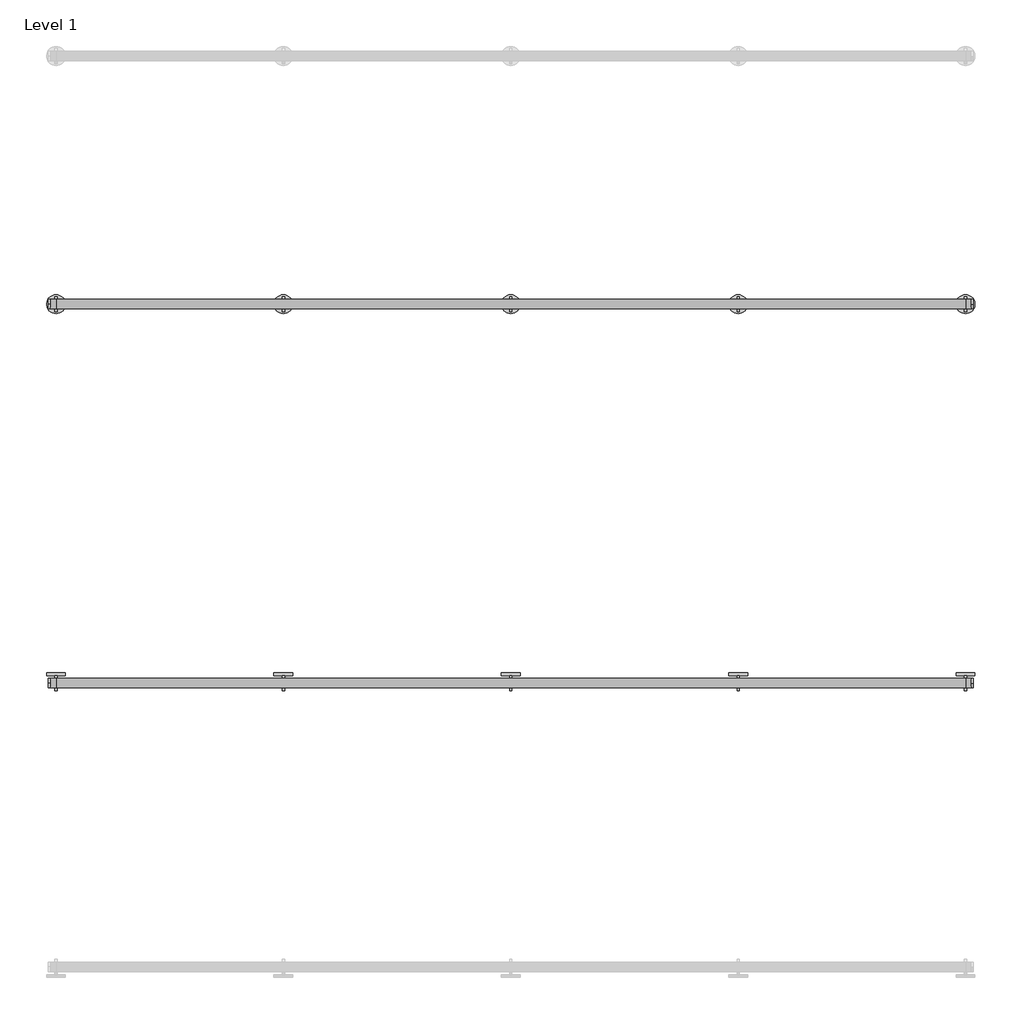
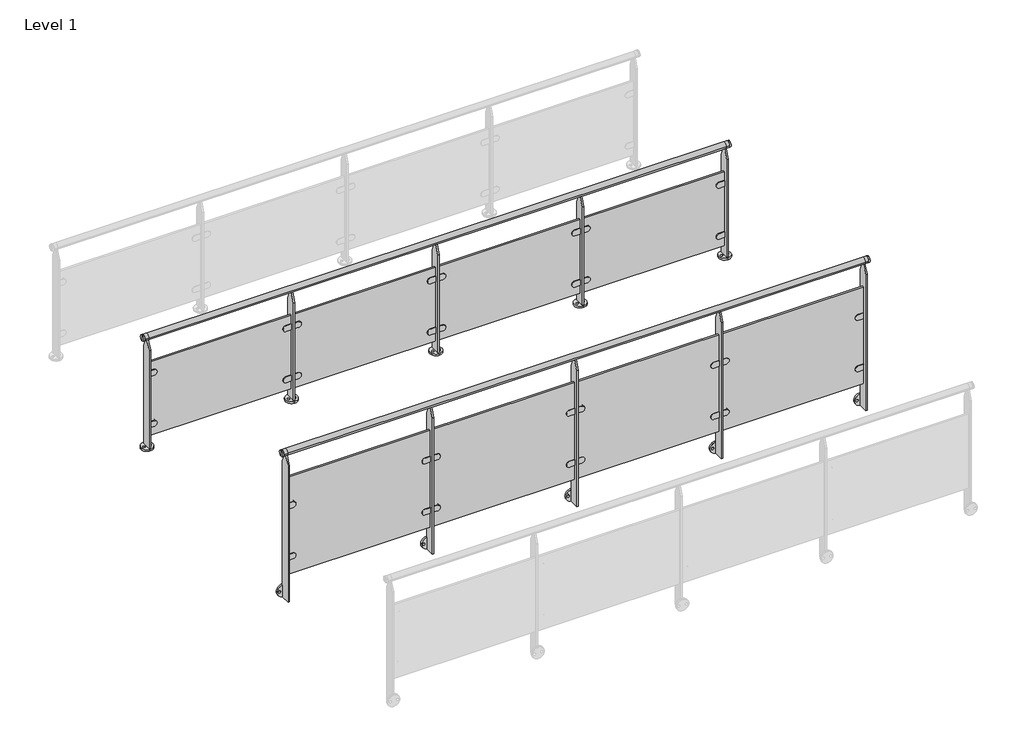
# One storey, part 3 of 16: 2 railings.
"""IFC4 building model written with IfcOpenShell, lengths in millimetres."""

from ifc_helpers import new_model, si_unit, point, frame, frame_2d, origin, origin_with_axes, place, context, project, spatial, polyline, circle_curve, trimmed, segment, composite_curve, outline, extrude, element, save
from ifc_brep_helpers import plane_surface, cylinder_surface, advanced_brep

model = new_model("IFC4")

# Units and contexts
model_context = context("Model", 3, world=origin())
ifc_project = project(units=[si_unit("LENGTHUNIT", "METRE", prefix="MILLI")], contexts=[model_context])

# Site, building, storey
site = spatial("IfcSite", under=ifc_project)
building = spatial("IfcBuilding", under=site)
storey = spatial("IfcBuildingStorey", under=building, Name="Level 1", Elevation=0.0)

# Railings
placement = place(None, origin())
element("IfcRailing", 1, at=placement, inside=storey, context=model_context, shape_type="SolidModel", body=[
    advanced_brep(
    [(24690.6479588, -5991.1675637, 975.0), (24690.6479588, -5991.1675637, 1000.0), (24690.6479588, -5991.1675637, 950.0), (24700.6479588, -5991.1675637, 950.0), (24700.6479588, -5991.1675637, 1000.0), (24700.6479588, -5991.1675637, 975.0)],
    [
        (0, 1),
        (1, 2, circle_curve(frame((24690.6479588, -5991.1675637, 975.0), z_axis=(-1.0, 0.0, 0.0), x_axis=(0.0, 0.0, 1.0)), 25.0)),
        (2, 0),
        (2, 1, circle_curve(frame((24690.6479588, -5991.1675637, 975.0), z_axis=(-1.0, 0.0, 0.0), x_axis=(0.0, 0.0, 1.0)), 25.0)),
        (3, 4, circle_curve(frame((24700.6479588, -5991.1675637, 975.0), z_axis=(1.0, 0.0, 0.0), x_axis=(0.0, 0.0, 1.0)), 25.0)),
        (4, 5),
        (5, 3),
        (4, 3, circle_curve(frame((24700.6479588, -5991.1675637, 975.0), z_axis=(1.0, 0.0, 0.0), x_axis=(0.0, 0.0, 1.0)), 25.0)),
        (1, 4),
        (3, 2),
    ],
    [
        plane_surface(frame((24690.6479588, -5991.1675637, 975.0), z_axis=(-1.0, 0.0, 0.0), x_axis=(0.0, 0.0, 1.0))),
        plane_surface(frame((24700.6479588, -5991.1675637, 975.0), z_axis=(1.0, 0.0, 0.0), x_axis=(0.0, 0.0, 1.0))),
        cylinder_surface(frame((24675.6479588, -5991.1675637, 975.0), z_axis=(-1.0, 0.0, 0.0), x_axis=(0.0, 0.0, 1.0)), 25.0),
    ],
    [
        (0, [[1, 2, 3]]),
        (0, [[-3, 4, -1]]),
        (1, [[5, 6, 7]]),
        (1, [[8, -7, -6]]),
        (2, [[-2, 9, -5, 10]]),
        (2, [[-4, -10, -8, -9]]),
    ],
),
    advanced_brep(
    [(19830.6479588, -5991.1675637, 975.0), (19830.6479588, -5991.1675637, 1000.0), (19830.6479588, -5991.1675637, 950.0), (19820.6479588, -5991.1675637, 950.0), (19820.6479588, -5991.1675637, 1000.0), (19820.6479588, -5991.1675637, 975.0)],
    [
        (0, 1),
        (1, 2, circle_curve(frame((19830.6479588, -5991.1675637, 975.0), z_axis=(1.0, 0.0, 0.0), x_axis=(0.0, 0.0, 1.0)), 25.0)),
        (2, 0),
        (2, 1, circle_curve(frame((19830.6479588, -5991.1675637, 975.0), z_axis=(1.0, 0.0, 0.0), x_axis=(0.0, 0.0, 1.0)), 25.0)),
        (3, 4, circle_curve(frame((19820.6479588, -5991.1675637, 975.0), z_axis=(-1.0, 0.0, 0.0), x_axis=(0.0, 0.0, 1.0)), 25.0)),
        (4, 5),
        (5, 3),
        (4, 3, circle_curve(frame((19820.6479588, -5991.1675637, 975.0), z_axis=(-1.0, 0.0, 0.0), x_axis=(0.0, 0.0, 1.0)), 25.0)),
        (1, 4),
        (3, 2),
    ],
    [
        plane_surface(frame((19830.6479588, -5991.1675637, 975.0), z_axis=(1.0, 0.0, 0.0), x_axis=(0.0, 0.0, 1.0))),
        plane_surface(frame((19820.6479588, -5991.1675637, 975.0), z_axis=(-1.0, 0.0, 0.0), x_axis=(0.0, 0.0, 1.0))),
        cylinder_surface(frame((19845.6479588, -5991.1675637, 975.0), z_axis=(1.0, 0.0, 0.0), x_axis=(0.0, 0.0, 1.0)), 25.0),
    ],
    [
        (0, [[1, 2, 3]]),
        (0, [[-3, 4, -1]]),
        (1, [[5, 6, 7]]),
        (1, [[8, -7, -6]]),
        (2, [[-2, 9, -5, 10]]),
        (2, [[-4, -10, -8, -9]]),
    ],
),
    advanced_brep(
    [(19830.6479588, -6016.1675637, 975.0), (19830.6479588, -5966.1675637, 975.0), (19860.6479588, -6016.1675637, 975.0), (19860.6479588, -5966.1675637, 975.0), (24660.6479588, -6016.1675637, 975.0), (24660.6479588, -5966.1675637, 975.0), (24690.6479588, -6016.1675637, 975.0), (24690.6479588, -5966.1675637, 975.0)],
    [
        (0, 1, circle_curve(frame((19830.6479588, -5991.1675637, 975.0), z_axis=(-1.0, 0.0, 0.0), x_axis=(0.0, 1.0, 0.0)), 25.0)),
        (1, 0, circle_curve(frame((19830.6479588, -5991.1675637, 975.0), z_axis=(-1.0, 0.0, 0.0), x_axis=(0.0, 1.0, 0.0)), 25.0)),
        (0, 2),
        (2, 3, circle_curve(frame((19860.6479588, -5991.1675637, 975.0), z_axis=(-1.0, 0.0, 0.0), x_axis=(0.0, 1.0, 0.0)), 25.0)),
        (3, 1),
        (3, 2, circle_curve(frame((19860.6479588, -5991.1675637, 975.0), z_axis=(-1.0, 0.0, 0.0), x_axis=(0.0, 1.0, 0.0)), 25.0)),
        (2, 4),
        (4, 5, circle_curve(frame((24660.6479588, -5991.1675637, 975.0), z_axis=(-1.0, 0.0, 0.0), x_axis=(0.0, 1.0, 0.0)), 25.0)),
        (5, 3),
        (5, 4, circle_curve(frame((24660.6479588, -5991.1675637, 975.0), z_axis=(-1.0, 0.0, 0.0), x_axis=(0.0, 1.0, 0.0)), 25.0)),
        (6, 7, circle_curve(frame((24690.6479588, -5991.1675637, 975.0), z_axis=(1.0, 0.0, 0.0), x_axis=(0.0, 1.0, 0.0)), 25.0)),
        (7, 6, circle_curve(frame((24690.6479588, -5991.1675637, 975.0), z_axis=(1.0, 0.0, 0.0), x_axis=(0.0, 1.0, 0.0)), 25.0)),
        (4, 6),
        (7, 5),
    ],
    [
        plane_surface(frame((19830.6479588, -5991.1675637, 1000.0), z_axis=(-1.0, 0.0, 0.0), x_axis=(0.0, 1.0, 0.0))),
        cylinder_surface(frame((19830.6479588, -5991.1675637, 975.0), z_axis=(-1.0, 0.0, 0.0), x_axis=(0.0, 1.0, 0.0)), 25.0),
        cylinder_surface(frame((19860.6479588, -5991.1675637, 975.0), z_axis=(-1.0, 0.0, 0.0), x_axis=(0.0, 1.0, 0.0)), 25.0),
        plane_surface(frame((24690.6479588, -5991.1675637, 1000.0), z_axis=(1.0, 0.0, 0.0), x_axis=(0.0, 1.0, 0.0))),
        cylinder_surface(frame((24660.6479588, -5991.1675637, 975.0), z_axis=(-1.0, 0.0, 0.0), x_axis=(0.0, 1.0, 0.0)), 25.0),
    ],
    [
        (0, [[1, 2]]),
        (1, [[-1, 3, 4, 5]]),
        (1, [[-2, -5, 6, -3]]),
        (2, [[-4, 7, 8, 9]]),
        (2, [[-6, -9, 10, -7]]),
        (3, [[11, 12]]),
        (4, [[-8, 13, -12, 14]]),
        (4, [[-10, -14, -11, -13]]),
    ],
),
    extrude(outline(polyline([(19860.6479588, -5997.1675637), (19860.6479588, -5985.1675637), (24660.6479588, -5985.1675637), (24660.6479588, -5997.1675637), (19860.6479588, -5997.1675637)])), frame((0.0, 0.0, 100.0), z_axis=(0.0, 0.0, 1.0), x_axis=(1.0, 0.0, 0.0)), (0.0, 0.0, 1.0), 650.0),
    extrude(outline(composite_curve([segment(trimmed(circle_curve(frame_2d((199.6, 23511.6479588)), 25.0), [point((174.6, 23511.6479588))], [point((224.6, 23511.6479588))], False, "CARTESIAN"), True, "CONTINUOUS"), segment(polyline([(224.6, 23511.6479588), (224.6, 23466.6479588), (174.6, 23466.6479588), (174.6, 23511.6479588)]), True, "CONTINUOUS")], self_intersect=False)), frame((0.0, -6003.9076748, 0.0), z_axis=(0.0, 1.0, 0.0), x_axis=(0.0, 0.0, 1.0)), (0.0, 0.0, 1.0), 25.4802223),
    extrude(outline(composite_curve([segment(trimmed(circle_curve(frame_2d((649.6, 23511.6479588)), 25.0), [point((624.6, 23511.6479588))], [point((674.6, 23511.6479588))], False, "CARTESIAN"), True, "CONTINUOUS"), segment(polyline([(674.6, 23511.6479588), (674.6, 23466.6479588), (624.6, 23466.6479588), (624.6, 23511.6479588)]), True, "CONTINUOUS")], self_intersect=False)), frame((0.0, -6003.9076748, 0.0), z_axis=(0.0, 1.0, 0.0), x_axis=(0.0, 0.0, 1.0)), (0.0, 0.0, 1.0), 25.4802223),
    extrude(outline(composite_curve([segment(polyline([(174.6, 23409.6479588), (174.6, 23454.6479588), (224.6, 23454.6479588), (224.6, 23409.6479588)]), True, "CONTINUOUS"), segment(trimmed(circle_curve(frame_2d((199.6, 23409.6479588)), 25.0), [point((224.6, 23409.6479588))], [point((174.6, 23409.6479588))], False, "CARTESIAN"), True, "CONTINUOUS")], self_intersect=False)), frame((0.0, -6003.9076748, 0.0), z_axis=(0.0, 1.0, 0.0), x_axis=(0.0, 0.0, 1.0)), (0.0, 0.0, 1.0), 25.4802223),
    extrude(outline(composite_curve([segment(polyline([(624.6, 23409.6479588), (624.6, 23454.6479588), (674.6, 23454.6479588), (674.6, 23409.6479588)]), True, "CONTINUOUS"), segment(trimmed(circle_curve(frame_2d((649.6, 23409.6479588)), 25.0), [point((674.6, 23409.6479588))], [point((624.6, 23409.6479588))], False, "CARTESIAN"), True, "CONTINUOUS")], self_intersect=False)), frame((0.0, -6003.9076748, 0.0), z_axis=(0.0, 1.0, 0.0), x_axis=(0.0, 0.0, 1.0)), (0.0, 0.0, 1.0), 25.4802223),
    extrude(outline(composite_curve([segment(trimmed(circle_curve(frame_2d((23460.6479588, -5991.1675637)), 50.0), [point((23460.6479588, -6041.1675637))], [point((23460.6479588, -5941.1675637))], False, "CARTESIAN"), True, "CONTINUOUS"), segment(trimmed(circle_curve(frame_2d((23460.6479588, -5991.1675637)), 50.0), [point((23460.6479588, -5941.1675637))], [point((23460.6479588, -6041.1675637))], False, "CARTESIAN"), True, "CONTINUOUS")], self_intersect=False), holes=[composite_curve([segment(trimmed(circle_curve(frame_2d((23435.6576262, -5991.1578962)), 8.9986565), [point((23444.6562827, -5991.1578962))], [point((23426.6589698, -5991.1578962))], True, "CARTESIAN"), True, "CONTINUOUS"), segment(trimmed(circle_curve(frame_2d((23435.6576262, -5991.1578962)), 8.9986565), [point((23426.6589698, -5991.1578962))], [point((23444.6562827, -5991.1578962))], True, "CARTESIAN"), True, "CONTINUOUS")], self_intersect=False), composite_curve([segment(trimmed(circle_curve(frame_2d((23485.6576262, -5991.1578962)), 8.9793215), [point((23494.6369477, -5991.1578962))], [point((23476.6783047, -5991.1578962))], True, "CARTESIAN"), True, "CONTINUOUS"), segment(trimmed(circle_curve(frame_2d((23485.6576262, -5991.1578962)), 8.9793215), [point((23476.6783047, -5991.1578962))], [point((23494.6369477, -5991.1578962))], True, "CARTESIAN"), True, "CONTINUOUS")], self_intersect=False)]), origin_with_axes(), (0.0, 0.0, 1.0), 15.0),
    extrude(outline(polyline([(-5951.1675637, 15.0), (-6031.1675637, 15.0), (-6031.1675637, 875.0), (-6001.1675637, 950.0), (-5981.1675637, 950.0), (-5951.1675637, 875.0), (-5951.1675637, 15.0)])), frame((23454.6479588, 0.0, 0.0), z_axis=(1.0, 0.0, 0.0), x_axis=(0.0, 1.0, 0.0)), (0.0, 0.0, 1.0), 12.0),
    extrude(outline(composite_curve([segment(trimmed(circle_curve(frame_2d((199.6, 22311.6479588)), 25.0), [point((174.6, 22311.6479588))], [point((224.6, 22311.6479588))], False, "CARTESIAN"), True, "CONTINUOUS"), segment(polyline([(224.6, 22311.6479588), (224.6, 22266.6479588), (174.6, 22266.6479588), (174.6, 22311.6479588)]), True, "CONTINUOUS")], self_intersect=False)), frame((0.0, -6003.9076748, 0.0), z_axis=(0.0, 1.0, 0.0), x_axis=(0.0, 0.0, 1.0)), (0.0, 0.0, 1.0), 25.4802223),
    extrude(outline(composite_curve([segment(trimmed(circle_curve(frame_2d((649.6, 22311.6479588)), 25.0), [point((624.6, 22311.6479588))], [point((674.6, 22311.6479588))], False, "CARTESIAN"), True, "CONTINUOUS"), segment(polyline([(674.6, 22311.6479588), (674.6, 22266.6479588), (624.6, 22266.6479588), (624.6, 22311.6479588)]), True, "CONTINUOUS")], self_intersect=False)), frame((0.0, -6003.9076748, 0.0), z_axis=(0.0, 1.0, 0.0), x_axis=(0.0, 0.0, 1.0)), (0.0, 0.0, 1.0), 25.4802223),
    extrude(outline(composite_curve([segment(polyline([(174.6, 22209.6479588), (174.6, 22254.6479588), (224.6, 22254.6479588), (224.6, 22209.6479588)]), True, "CONTINUOUS"), segment(trimmed(circle_curve(frame_2d((199.6, 22209.6479588)), 25.0), [point((224.6, 22209.6479588))], [point((174.6, 22209.6479588))], False, "CARTESIAN"), True, "CONTINUOUS")], self_intersect=False)), frame((0.0, -6003.9076748, 0.0), z_axis=(0.0, 1.0, 0.0), x_axis=(0.0, 0.0, 1.0)), (0.0, 0.0, 1.0), 25.4802223),
    extrude(outline(composite_curve([segment(polyline([(624.6, 22209.6479588), (624.6, 22254.6479588), (674.6, 22254.6479588), (674.6, 22209.6479588)]), True, "CONTINUOUS"), segment(trimmed(circle_curve(frame_2d((649.6, 22209.6479588)), 25.0), [point((674.6, 22209.6479588))], [point((624.6, 22209.6479588))], False, "CARTESIAN"), True, "CONTINUOUS")], self_intersect=False)), frame((0.0, -6003.9076748, 0.0), z_axis=(0.0, 1.0, 0.0), x_axis=(0.0, 0.0, 1.0)), (0.0, 0.0, 1.0), 25.4802223),
    extrude(outline(composite_curve([segment(trimmed(circle_curve(frame_2d((22260.6479588, -5991.1675637)), 50.0), [point((22260.6479588, -6041.1675637))], [point((22260.6479588, -5941.1675637))], False, "CARTESIAN"), True, "CONTINUOUS"), segment(trimmed(circle_curve(frame_2d((22260.6479588, -5991.1675637)), 50.0), [point((22260.6479588, -5941.1675637))], [point((22260.6479588, -6041.1675637))], False, "CARTESIAN"), True, "CONTINUOUS")], self_intersect=False), holes=[composite_curve([segment(trimmed(circle_curve(frame_2d((22235.6576262, -5991.1578962)), 8.9986565), [point((22244.6562827, -5991.1578962))], [point((22226.6589698, -5991.1578962))], True, "CARTESIAN"), True, "CONTINUOUS"), segment(trimmed(circle_curve(frame_2d((22235.6576262, -5991.1578962)), 8.9986565), [point((22226.6589698, -5991.1578962))], [point((22244.6562827, -5991.1578962))], True, "CARTESIAN"), True, "CONTINUOUS")], self_intersect=False), composite_curve([segment(trimmed(circle_curve(frame_2d((22285.6576262, -5991.1578962)), 8.9793215), [point((22294.6369477, -5991.1578962))], [point((22276.6783047, -5991.1578962))], True, "CARTESIAN"), True, "CONTINUOUS"), segment(trimmed(circle_curve(frame_2d((22285.6576262, -5991.1578962)), 8.9793215), [point((22276.6783047, -5991.1578962))], [point((22294.6369477, -5991.1578962))], True, "CARTESIAN"), True, "CONTINUOUS")], self_intersect=False)]), origin_with_axes(), (0.0, 0.0, 1.0), 15.0),
    extrude(outline(polyline([(-5951.1675637, 15.0), (-6031.1675637, 15.0), (-6031.1675637, 875.0), (-6001.1675637, 950.0), (-5981.1675637, 950.0), (-5951.1675637, 875.0), (-5951.1675637, 15.0)])), frame((22254.6479588, 0.0, 0.0), z_axis=(1.0, 0.0, 0.0), x_axis=(0.0, 1.0, 0.0)), (0.0, 0.0, 1.0), 12.0),
    extrude(outline(composite_curve([segment(trimmed(circle_curve(frame_2d((199.6, 21111.6479588)), 25.0), [point((174.6, 21111.6479588))], [point((224.6, 21111.6479588))], False, "CARTESIAN"), True, "CONTINUOUS"), segment(polyline([(224.6, 21111.6479588), (224.6, 21066.6479588), (174.6, 21066.6479588), (174.6, 21111.6479588)]), True, "CONTINUOUS")], self_intersect=False)), frame((0.0, -6003.9076748, 0.0), z_axis=(0.0, 1.0, 0.0), x_axis=(0.0, 0.0, 1.0)), (0.0, 0.0, 1.0), 25.4802223),
    extrude(outline(composite_curve([segment(trimmed(circle_curve(frame_2d((649.6, 21111.6479588)), 25.0), [point((624.6, 21111.6479588))], [point((674.6, 21111.6479588))], False, "CARTESIAN"), True, "CONTINUOUS"), segment(polyline([(674.6, 21111.6479588), (674.6, 21066.6479588), (624.6, 21066.6479588), (624.6, 21111.6479588)]), True, "CONTINUOUS")], self_intersect=False)), frame((0.0, -6003.9076748, 0.0), z_axis=(0.0, 1.0, 0.0), x_axis=(0.0, 0.0, 1.0)), (0.0, 0.0, 1.0), 25.4802223),
    extrude(outline(composite_curve([segment(polyline([(174.6, 21009.6479588), (174.6, 21054.6479588), (224.6, 21054.6479588), (224.6, 21009.6479588)]), True, "CONTINUOUS"), segment(trimmed(circle_curve(frame_2d((199.6, 21009.6479588)), 25.0), [point((224.6, 21009.6479588))], [point((174.6, 21009.6479588))], False, "CARTESIAN"), True, "CONTINUOUS")], self_intersect=False)), frame((0.0, -6003.9076748, 0.0), z_axis=(0.0, 1.0, 0.0), x_axis=(0.0, 0.0, 1.0)), (0.0, 0.0, 1.0), 25.4802223),
    extrude(outline(composite_curve([segment(polyline([(624.6, 21009.6479588), (624.6, 21054.6479588), (674.6, 21054.6479588), (674.6, 21009.6479588)]), True, "CONTINUOUS"), segment(trimmed(circle_curve(frame_2d((649.6, 21009.6479588)), 25.0), [point((674.6, 21009.6479588))], [point((624.6, 21009.6479588))], False, "CARTESIAN"), True, "CONTINUOUS")], self_intersect=False)), frame((0.0, -6003.9076748, 0.0), z_axis=(0.0, 1.0, 0.0), x_axis=(0.0, 0.0, 1.0)), (0.0, 0.0, 1.0), 25.4802223),
    extrude(outline(composite_curve([segment(trimmed(circle_curve(frame_2d((21060.6479588, -5991.1675637)), 50.0), [point((21060.6479588, -6041.1675637))], [point((21060.6479588, -5941.1675637))], False, "CARTESIAN"), True, "CONTINUOUS"), segment(trimmed(circle_curve(frame_2d((21060.6479588, -5991.1675637)), 50.0), [point((21060.6479588, -5941.1675637))], [point((21060.6479588, -6041.1675637))], False, "CARTESIAN"), True, "CONTINUOUS")], self_intersect=False), holes=[composite_curve([segment(trimmed(circle_curve(frame_2d((21035.6576262, -5991.1578962)), 8.9986565), [point((21044.6562827, -5991.1578962))], [point((21026.6589698, -5991.1578962))], True, "CARTESIAN"), True, "CONTINUOUS"), segment(trimmed(circle_curve(frame_2d((21035.6576262, -5991.1578962)), 8.9986565), [point((21026.6589698, -5991.1578962))], [point((21044.6562827, -5991.1578962))], True, "CARTESIAN"), True, "CONTINUOUS")], self_intersect=False), composite_curve([segment(trimmed(circle_curve(frame_2d((21085.6576262, -5991.1578962)), 8.9793215), [point((21094.6369477, -5991.1578962))], [point((21076.6783047, -5991.1578962))], True, "CARTESIAN"), True, "CONTINUOUS"), segment(trimmed(circle_curve(frame_2d((21085.6576262, -5991.1578962)), 8.9793215), [point((21076.6783047, -5991.1578962))], [point((21094.6369477, -5991.1578962))], True, "CARTESIAN"), True, "CONTINUOUS")], self_intersect=False)]), origin_with_axes(), (0.0, 0.0, 1.0), 15.0),
    extrude(outline(polyline([(-5951.1675637, 15.0), (-6031.1675637, 15.0), (-6031.1675637, 875.0), (-6001.1675637, 950.0), (-5981.1675637, 950.0), (-5951.1675637, 875.0), (-5951.1675637, 15.0)])), frame((21054.6479588, 0.0, 0.0), z_axis=(1.0, 0.0, 0.0), x_axis=(0.0, 1.0, 0.0)), (0.0, 0.0, 1.0), 12.0),
    extrude(outline(composite_curve([segment(polyline([(174.6, 24609.6479588), (174.6, 24654.6479588), (224.6, 24654.6479588), (224.6, 24609.6479588)]), True, "CONTINUOUS"), segment(trimmed(circle_curve(frame_2d((199.6, 24609.6479588)), 25.0), [point((224.6, 24609.6479588))], [point((174.6, 24609.6479588))], False, "CARTESIAN"), True, "CONTINUOUS")], self_intersect=False)), frame((0.0, -6003.9076748, 0.0), z_axis=(0.0, 1.0, 0.0), x_axis=(0.0, 0.0, 1.0)), (0.0, 0.0, 1.0), 25.4802223),
    extrude(outline(composite_curve([segment(polyline([(624.6, 24609.6479588), (624.6, 24654.6479588), (674.6, 24654.6479588), (674.6, 24609.6479588)]), True, "CONTINUOUS"), segment(trimmed(circle_curve(frame_2d((649.6, 24609.6479588)), 25.0), [point((674.6, 24609.6479588))], [point((624.6, 24609.6479588))], False, "CARTESIAN"), True, "CONTINUOUS")], self_intersect=False)), frame((0.0, -6003.9076748, 0.0), z_axis=(0.0, 1.0, 0.0), x_axis=(0.0, 0.0, 1.0)), (0.0, 0.0, 1.0), 25.4802223),
    extrude(outline(composite_curve([segment(trimmed(circle_curve(frame_2d((24660.6479588, -5991.1675637)), 50.0), [point((24660.6479588, -6041.1675637))], [point((24660.6479588, -5941.1675637))], False, "CARTESIAN"), True, "CONTINUOUS"), segment(trimmed(circle_curve(frame_2d((24660.6479588, -5991.1675637)), 50.0), [point((24660.6479588, -5941.1675637))], [point((24660.6479588, -6041.1675637))], False, "CARTESIAN"), True, "CONTINUOUS")], self_intersect=False), holes=[composite_curve([segment(trimmed(circle_curve(frame_2d((24635.6576262, -5991.1578962)), 8.9986565), [point((24644.6562827, -5991.1578962))], [point((24626.6589698, -5991.1578962))], True, "CARTESIAN"), True, "CONTINUOUS"), segment(trimmed(circle_curve(frame_2d((24635.6576262, -5991.1578962)), 8.9986565), [point((24626.6589698, -5991.1578962))], [point((24644.6562827, -5991.1578962))], True, "CARTESIAN"), True, "CONTINUOUS")], self_intersect=False), composite_curve([segment(trimmed(circle_curve(frame_2d((24685.6576262, -5991.1578962)), 8.9793215), [point((24694.6369477, -5991.1578962))], [point((24676.6783047, -5991.1578962))], True, "CARTESIAN"), True, "CONTINUOUS"), segment(trimmed(circle_curve(frame_2d((24685.6576262, -5991.1578962)), 8.9793215), [point((24676.6783047, -5991.1578962))], [point((24694.6369477, -5991.1578962))], True, "CARTESIAN"), True, "CONTINUOUS")], self_intersect=False)]), origin_with_axes(), (0.0, 0.0, 1.0), 15.0),
    extrude(outline(polyline([(-5951.1675637, 15.0), (-6031.1675637, 15.0), (-6031.1675637, 875.0), (-6001.1675637, 950.0), (-5981.1675637, 950.0), (-5951.1675637, 875.0), (-5951.1675637, 15.0)])), frame((24654.6479588, 0.0, 0.0), z_axis=(1.0, 0.0, 0.0), x_axis=(0.0, 1.0, 0.0)), (0.0, 0.0, 1.0), 12.0),
    extrude(outline(composite_curve([segment(trimmed(circle_curve(frame_2d((199.6, 19911.6479588)), 25.0), [point((174.6, 19911.6479588))], [point((224.6, 19911.6479588))], False, "CARTESIAN"), True, "CONTINUOUS"), segment(polyline([(224.6, 19911.6479588), (224.6, 19866.6479588), (174.6, 19866.6479588), (174.6, 19911.6479588)]), True, "CONTINUOUS")], self_intersect=False)), frame((0.0, -6003.9076748, 0.0), z_axis=(0.0, 1.0, 0.0), x_axis=(0.0, 0.0, 1.0)), (0.0, 0.0, 1.0), 25.4802223),
    extrude(outline(composite_curve([segment(trimmed(circle_curve(frame_2d((649.6, 19911.6479588)), 25.0), [point((624.6, 19911.6479588))], [point((674.6, 19911.6479588))], False, "CARTESIAN"), True, "CONTINUOUS"), segment(polyline([(674.6, 19911.6479588), (674.6, 19866.6479588), (624.6, 19866.6479588), (624.6, 19911.6479588)]), True, "CONTINUOUS")], self_intersect=False)), frame((0.0, -6003.9076748, 0.0), z_axis=(0.0, 1.0, 0.0), x_axis=(0.0, 0.0, 1.0)), (0.0, 0.0, 1.0), 25.4802223),
    extrude(outline(composite_curve([segment(trimmed(circle_curve(frame_2d((19860.6479588, -5991.1675637)), 50.0), [point((19860.6479588, -6041.1675637))], [point((19860.6479588, -5941.1675637))], False, "CARTESIAN"), True, "CONTINUOUS"), segment(trimmed(circle_curve(frame_2d((19860.6479588, -5991.1675637)), 50.0), [point((19860.6479588, -5941.1675637))], [point((19860.6479588, -6041.1675637))], False, "CARTESIAN"), True, "CONTINUOUS")], self_intersect=False), holes=[composite_curve([segment(trimmed(circle_curve(frame_2d((19835.6576262, -5991.1578962)), 8.9986565), [point((19844.6562827, -5991.1578962))], [point((19826.6589698, -5991.1578962))], True, "CARTESIAN"), True, "CONTINUOUS"), segment(trimmed(circle_curve(frame_2d((19835.6576262, -5991.1578962)), 8.9986565), [point((19826.6589698, -5991.1578962))], [point((19844.6562827, -5991.1578962))], True, "CARTESIAN"), True, "CONTINUOUS")], self_intersect=False), composite_curve([segment(trimmed(circle_curve(frame_2d((19885.6576262, -5991.1578962)), 8.9793215), [point((19894.6369477, -5991.1578962))], [point((19876.6783047, -5991.1578962))], True, "CARTESIAN"), True, "CONTINUOUS"), segment(trimmed(circle_curve(frame_2d((19885.6576262, -5991.1578962)), 8.9793215), [point((19876.6783047, -5991.1578962))], [point((19894.6369477, -5991.1578962))], True, "CARTESIAN"), True, "CONTINUOUS")], self_intersect=False)]), origin_with_axes(), (0.0, 0.0, 1.0), 15.0),
    extrude(outline(polyline([(-5951.1675637, 15.0), (-6031.1675637, 15.0), (-6031.1675637, 875.0), (-6001.1675637, 950.0), (-5981.1675637, 950.0), (-5951.1675637, 875.0), (-5951.1675637, 15.0)])), frame((19854.6479588, 0.0, 0.0), z_axis=(1.0, 0.0, 0.0), x_axis=(0.0, 1.0, 0.0)), (0.0, 0.0, 1.0), 12.0),
])
element("IfcRailing", 2, at=placement, inside=storey, context=model_context, shape_type="SolidModel", body=[
    advanced_brep(
    [(24690.6479588, -7991.3735537, 1175.0), (24690.6479588, -7991.3735537, 1200.0), (24690.6479588, -7991.3735537, 1150.0), (24700.6479588, -7991.3735537, 1150.0), (24700.6479588, -7991.3735537, 1200.0), (24700.6479588, -7991.3735537, 1175.0)],
    [
        (0, 1),
        (1, 2, circle_curve(frame((24690.6479588, -7991.3735537, 1175.0), z_axis=(-1.0, 0.0, 0.0), x_axis=(0.0, 0.0, 1.0)), 25.0)),
        (2, 0),
        (2, 1, circle_curve(frame((24690.6479588, -7991.3735537, 1175.0), z_axis=(-1.0, 0.0, 0.0), x_axis=(0.0, 0.0, 1.0)), 25.0)),
        (3, 4, circle_curve(frame((24700.6479588, -7991.3735537, 1175.0), z_axis=(1.0, 0.0, 0.0), x_axis=(0.0, 0.0, 1.0)), 25.0)),
        (4, 5),
        (5, 3),
        (4, 3, circle_curve(frame((24700.6479588, -7991.3735537, 1175.0), z_axis=(1.0, 0.0, 0.0), x_axis=(0.0, 0.0, 1.0)), 25.0)),
        (1, 4),
        (3, 2),
    ],
    [
        plane_surface(frame((24690.6479588, -7991.3735537, 1175.0), z_axis=(-1.0, 0.0, 0.0), x_axis=(0.0, 0.0, 1.0))),
        plane_surface(frame((24700.6479588, -7991.3735537, 1175.0), z_axis=(1.0, 0.0, 0.0), x_axis=(0.0, 0.0, 1.0))),
        cylinder_surface(frame((24675.6479588, -7991.3735537, 1175.0), z_axis=(-1.0, 0.0, 0.0), x_axis=(0.0, 0.0, 1.0)), 25.0),
    ],
    [
        (0, [[1, 2, 3]]),
        (0, [[-3, 4, -1]]),
        (1, [[5, 6, 7]]),
        (1, [[8, -7, -6]]),
        (2, [[-2, 9, -5, 10]]),
        (2, [[-4, -10, -8, -9]]),
    ],
),
    advanced_brep(
    [(19830.6479588, -7991.3735537, 1175.0), (19830.6479588, -7991.3735537, 1200.0), (19830.6479588, -7991.3735537, 1150.0), (19820.6479588, -7991.3735537, 1150.0), (19820.6479588, -7991.3735537, 1200.0), (19820.6479588, -7991.3735537, 1175.0)],
    [
        (0, 1),
        (1, 2, circle_curve(frame((19830.6479588, -7991.3735537, 1175.0), z_axis=(1.0, 0.0, 0.0), x_axis=(0.0, 0.0, 1.0)), 25.0)),
        (2, 0),
        (2, 1, circle_curve(frame((19830.6479588, -7991.3735537, 1175.0), z_axis=(1.0, 0.0, 0.0), x_axis=(0.0, 0.0, 1.0)), 25.0)),
        (3, 4, circle_curve(frame((19820.6479588, -7991.3735537, 1175.0), z_axis=(-1.0, 0.0, 0.0), x_axis=(0.0, 0.0, 1.0)), 25.0)),
        (4, 5),
        (5, 3),
        (4, 3, circle_curve(frame((19820.6479588, -7991.3735537, 1175.0), z_axis=(-1.0, 0.0, 0.0), x_axis=(0.0, 0.0, 1.0)), 25.0)),
        (1, 4),
        (3, 2),
    ],
    [
        plane_surface(frame((19830.6479588, -7991.3735537, 1175.0), z_axis=(1.0, 0.0, 0.0), x_axis=(0.0, 0.0, 1.0))),
        plane_surface(frame((19820.6479588, -7991.3735537, 1175.0), z_axis=(-1.0, 0.0, 0.0), x_axis=(0.0, 0.0, 1.0))),
        cylinder_surface(frame((19845.6479588, -7991.3735537, 1175.0), z_axis=(1.0, 0.0, 0.0), x_axis=(0.0, 0.0, 1.0)), 25.0),
    ],
    [
        (0, [[1, 2, 3]]),
        (0, [[-3, 4, -1]]),
        (1, [[5, 6, 7]]),
        (1, [[8, -7, -6]]),
        (2, [[-2, 9, -5, 10]]),
        (2, [[-4, -10, -8, -9]]),
    ],
),
    advanced_brep(
    [(19830.6479588, -8016.3735537, 1175.0), (19830.6479588, -7966.3735537, 1175.0), (19860.6479588, -8016.3735537, 1175.0), (19860.6479588, -7966.3735537, 1175.0), (24660.6479588, -8016.3735537, 1175.0), (24660.6479588, -7966.3735537, 1175.0), (24690.6479588, -8016.3735537, 1175.0), (24690.6479588, -7966.3735537, 1175.0)],
    [
        (0, 1, circle_curve(frame((19830.6479588, -7991.3735537, 1175.0), z_axis=(-1.0, 0.0, 0.0), x_axis=(0.0, 1.0, 0.0)), 25.0)),
        (1, 0, circle_curve(frame((19830.6479588, -7991.3735537, 1175.0), z_axis=(-1.0, 0.0, 0.0), x_axis=(0.0, 1.0, 0.0)), 25.0)),
        (0, 2),
        (2, 3, circle_curve(frame((19860.6479588, -7991.3735537, 1175.0), z_axis=(-1.0, 0.0, 0.0), x_axis=(0.0, 1.0, 0.0)), 25.0)),
        (3, 1),
        (3, 2, circle_curve(frame((19860.6479588, -7991.3735537, 1175.0), z_axis=(-1.0, 0.0, 0.0), x_axis=(0.0, 1.0, 0.0)), 25.0)),
        (2, 4),
        (4, 5, circle_curve(frame((24660.6479588, -7991.3735537, 1175.0), z_axis=(-1.0, 0.0, 0.0), x_axis=(0.0, 1.0, 0.0)), 25.0)),
        (5, 3),
        (5, 4, circle_curve(frame((24660.6479588, -7991.3735537, 1175.0), z_axis=(-1.0, 0.0, 0.0), x_axis=(0.0, 1.0, 0.0)), 25.0)),
        (6, 7, circle_curve(frame((24690.6479588, -7991.3735537, 1175.0), z_axis=(1.0, 0.0, 0.0), x_axis=(0.0, 1.0, 0.0)), 25.0)),
        (7, 6, circle_curve(frame((24690.6479588, -7991.3735537, 1175.0), z_axis=(1.0, 0.0, 0.0), x_axis=(0.0, 1.0, 0.0)), 25.0)),
        (4, 6),
        (7, 5),
    ],
    [
        plane_surface(frame((19830.6479588, -7991.3735537, 1200.0), z_axis=(-1.0, 0.0, 0.0), x_axis=(0.0, 1.0, 0.0))),
        cylinder_surface(frame((19830.6479588, -7991.3735537, 1175.0), z_axis=(-1.0, 0.0, 0.0), x_axis=(0.0, 1.0, 0.0)), 25.0),
        cylinder_surface(frame((19860.6479588, -7991.3735537, 1175.0), z_axis=(-1.0, 0.0, 0.0), x_axis=(0.0, 1.0, 0.0)), 25.0),
        plane_surface(frame((24690.6479588, -7991.3735537, 1200.0), z_axis=(1.0, 0.0, 0.0), x_axis=(0.0, 1.0, 0.0))),
        cylinder_surface(frame((24660.6479588, -7991.3735537, 1175.0), z_axis=(-1.0, 0.0, 0.0), x_axis=(0.0, 1.0, 0.0)), 25.0),
    ],
    [
        (0, [[1, 2]]),
        (1, [[-1, 3, 4, 5]]),
        (1, [[-2, -5, 6, -3]]),
        (2, [[-4, 7, 8, 9]]),
        (2, [[-6, -9, 10, -7]]),
        (3, [[11, 12]]),
        (4, [[-8, 13, -12, 14]]),
        (4, [[-10, -14, -11, -13]]),
    ],
),
    extrude(outline(polyline([(19860.6479588, -7999.3735537), (19860.6479588, -7983.3735537), (24660.6479588, -7983.3735537), (24660.6479588, -7999.3735537), (19860.6479588, -7999.3735537)])), frame((0.0, 0.0, 100.0), z_axis=(0.0, 0.0, 1.0), x_axis=(1.0, 0.0, 0.0)), (0.0, 0.0, 1.0), 850.0),
    extrude(outline(composite_curve([segment(trimmed(circle_curve(frame_2d((250.0, 23511.6479588)), 25.0), [point((225.0, 23511.6479588))], [point((275.0, 23511.6479588))], False, "CARTESIAN"), True, "CONTINUOUS"), segment(polyline([(275.0, 23511.6479588), (275.0, 23466.6479588), (225.0, 23466.6479588), (225.0, 23511.6479588)]), True, "CONTINUOUS")], self_intersect=False)), frame((0.0, -8004.1136649, 0.0), z_axis=(0.0, 1.0, 0.0), x_axis=(0.0, 0.0, 1.0)), (0.0, 0.0, 1.0), 25.4802223),
    extrude(outline(composite_curve([segment(trimmed(circle_curve(frame_2d((700.0, 23511.6479588)), 25.0), [point((675.0, 23511.6479588))], [point((725.0, 23511.6479588))], False, "CARTESIAN"), True, "CONTINUOUS"), segment(polyline([(725.0, 23511.6479588), (725.0, 23466.6479588), (675.0, 23466.6479588), (675.0, 23511.6479588)]), True, "CONTINUOUS")], self_intersect=False)), frame((0.0, -8004.1136649, 0.0), z_axis=(0.0, 1.0, 0.0), x_axis=(0.0, 0.0, 1.0)), (0.0, 0.0, 1.0), 25.4802223),
    extrude(outline(composite_curve([segment(polyline([(225.0, 23409.6479588), (225.0, 23454.6479588), (275.0, 23454.6479588), (275.0, 23409.6479588)]), True, "CONTINUOUS"), segment(trimmed(circle_curve(frame_2d((250.0, 23409.6479588)), 25.0), [point((275.0, 23409.6479588))], [point((225.0, 23409.6479588))], False, "CARTESIAN"), True, "CONTINUOUS")], self_intersect=False)), frame((0.0, -8004.1136649, 0.0), z_axis=(0.0, 1.0, 0.0), x_axis=(0.0, 0.0, 1.0)), (0.0, 0.0, 1.0), 25.4802223),
    extrude(outline(composite_curve([segment(polyline([(675.0, 23409.6479588), (675.0, 23454.6479588), (725.0, 23454.6479588), (725.0, 23409.6479588)]), True, "CONTINUOUS"), segment(trimmed(circle_curve(frame_2d((700.0, 23409.6479588)), 25.0), [point((725.0, 23409.6479588))], [point((675.0, 23409.6479588))], False, "CARTESIAN"), True, "CONTINUOUS")], self_intersect=False)), frame((0.0, -8004.1136649, 0.0), z_axis=(0.0, 1.0, 0.0), x_axis=(0.0, 0.0, 1.0)), (0.0, 0.0, 1.0), 25.4802223),
    extrude(outline(polyline([(-8031.3735537, -120.0), (-8031.3735537, 1075.0), (-8001.3735537, 1150.0), (-7981.3735537, 1150.0), (-7951.3735537, 1075.0), (-7951.3735537, -120.0), (-8031.3735537, -120.0)])), frame((23454.6479588, 0.0, 0.0), z_axis=(1.0, 0.0, 0.0), x_axis=(0.0, 1.0, 0.0)), (0.0, 0.0, 1.0), 12.0),
    extrude(outline(composite_curve([segment(trimmed(circle_curve(frame_2d((-70.0, 23460.6479588)), 50.0), [point((-70.0, 23510.6479588))], [point((-70.0, 23410.6479588))], False, "CARTESIAN"), True, "CONTINUOUS"), segment(trimmed(circle_curve(frame_2d((-70.0, 23460.6479588)), 50.0), [point((-70.0, 23410.6479588))], [point((-70.0, 23510.6479588))], False, "CARTESIAN"), True, "CONTINUOUS")], self_intersect=False), holes=[composite_curve([segment(trimmed(circle_curve(frame_2d((-70.0, 23491.6479588)), 9.0), [point((-70.0, 23500.6479588))], [point((-70.0, 23482.6479588))], True, "CARTESIAN"), True, "CONTINUOUS"), segment(trimmed(circle_curve(frame_2d((-70.0, 23491.6479588)), 9.0), [point((-70.0, 23482.6479588))], [point((-70.0, 23500.6479588))], True, "CARTESIAN"), True, "CONTINUOUS")], self_intersect=False), composite_curve([segment(trimmed(circle_curve(frame_2d((-70.0, 23429.6479588)), 9.0), [point((-70.0, 23438.6479588))], [point((-70.0, 23420.6479588))], True, "CARTESIAN"), True, "CONTINUOUS"), segment(trimmed(circle_curve(frame_2d((-70.0, 23429.6479588)), 9.0), [point((-70.0, 23420.6479588))], [point((-70.0, 23438.6479588))], True, "CARTESIAN"), True, "CONTINUOUS")], self_intersect=False)]), frame((0.0, -7951.3735537, 0.0), z_axis=(0.0, 1.0, 0.0), x_axis=(0.0, 0.0, 1.0)), (0.0, 0.0, 1.0), 15.0),
    extrude(outline(composite_curve([segment(trimmed(circle_curve(frame_2d((250.0, 22311.6479588)), 25.0), [point((225.0, 22311.6479588))], [point((275.0, 22311.6479588))], False, "CARTESIAN"), True, "CONTINUOUS"), segment(polyline([(275.0, 22311.6479588), (275.0, 22266.6479588), (225.0, 22266.6479588), (225.0, 22311.6479588)]), True, "CONTINUOUS")], self_intersect=False)), frame((0.0, -8004.1136649, 0.0), z_axis=(0.0, 1.0, 0.0), x_axis=(0.0, 0.0, 1.0)), (0.0, 0.0, 1.0), 25.4802223),
    extrude(outline(composite_curve([segment(trimmed(circle_curve(frame_2d((700.0, 22311.6479588)), 25.0), [point((675.0, 22311.6479588))], [point((725.0, 22311.6479588))], False, "CARTESIAN"), True, "CONTINUOUS"), segment(polyline([(725.0, 22311.6479588), (725.0, 22266.6479588), (675.0, 22266.6479588), (675.0, 22311.6479588)]), True, "CONTINUOUS")], self_intersect=False)), frame((0.0, -8004.1136649, 0.0), z_axis=(0.0, 1.0, 0.0), x_axis=(0.0, 0.0, 1.0)), (0.0, 0.0, 1.0), 25.4802223),
    extrude(outline(composite_curve([segment(polyline([(225.0, 22209.6479588), (225.0, 22254.6479588), (275.0, 22254.6479588), (275.0, 22209.6479588)]), True, "CONTINUOUS"), segment(trimmed(circle_curve(frame_2d((250.0, 22209.6479588)), 25.0), [point((275.0, 22209.6479588))], [point((225.0, 22209.6479588))], False, "CARTESIAN"), True, "CONTINUOUS")], self_intersect=False)), frame((0.0, -8004.1136649, 0.0), z_axis=(0.0, 1.0, 0.0), x_axis=(0.0, 0.0, 1.0)), (0.0, 0.0, 1.0), 25.4802223),
    extrude(outline(composite_curve([segment(polyline([(675.0, 22209.6479588), (675.0, 22254.6479588), (725.0, 22254.6479588), (725.0, 22209.6479588)]), True, "CONTINUOUS"), segment(trimmed(circle_curve(frame_2d((700.0, 22209.6479588)), 25.0), [point((725.0, 22209.6479588))], [point((675.0, 22209.6479588))], False, "CARTESIAN"), True, "CONTINUOUS")], self_intersect=False)), frame((0.0, -8004.1136649, 0.0), z_axis=(0.0, 1.0, 0.0), x_axis=(0.0, 0.0, 1.0)), (0.0, 0.0, 1.0), 25.4802223),
    extrude(outline(polyline([(-8031.3735537, -120.0), (-8031.3735537, 1075.0), (-8001.3735537, 1150.0), (-7981.3735537, 1150.0), (-7951.3735537, 1075.0), (-7951.3735537, -120.0), (-8031.3735537, -120.0)])), frame((22254.6479588, 0.0, 0.0), z_axis=(1.0, 0.0, 0.0), x_axis=(0.0, 1.0, 0.0)), (0.0, 0.0, 1.0), 12.0),
    extrude(outline(composite_curve([segment(trimmed(circle_curve(frame_2d((-70.0, 22260.6479588)), 50.0), [point((-70.0, 22310.6479588))], [point((-70.0, 22210.6479588))], False, "CARTESIAN"), True, "CONTINUOUS"), segment(trimmed(circle_curve(frame_2d((-70.0, 22260.6479588)), 50.0), [point((-70.0, 22210.6479588))], [point((-70.0, 22310.6479588))], False, "CARTESIAN"), True, "CONTINUOUS")], self_intersect=False), holes=[composite_curve([segment(trimmed(circle_curve(frame_2d((-70.0, 22291.6479588)), 9.0), [point((-70.0, 22300.6479588))], [point((-70.0, 22282.6479588))], True, "CARTESIAN"), True, "CONTINUOUS"), segment(trimmed(circle_curve(frame_2d((-70.0, 22291.6479588)), 9.0), [point((-70.0, 22282.6479588))], [point((-70.0, 22300.6479588))], True, "CARTESIAN"), True, "CONTINUOUS")], self_intersect=False), composite_curve([segment(trimmed(circle_curve(frame_2d((-70.0, 22229.6479588)), 9.0), [point((-70.0, 22238.6479588))], [point((-70.0, 22220.6479588))], True, "CARTESIAN"), True, "CONTINUOUS"), segment(trimmed(circle_curve(frame_2d((-70.0, 22229.6479588)), 9.0), [point((-70.0, 22220.6479588))], [point((-70.0, 22238.6479588))], True, "CARTESIAN"), True, "CONTINUOUS")], self_intersect=False)]), frame((0.0, -7951.3735537, 0.0), z_axis=(0.0, 1.0, 0.0), x_axis=(0.0, 0.0, 1.0)), (0.0, 0.0, 1.0), 15.0),
    extrude(outline(composite_curve([segment(trimmed(circle_curve(frame_2d((250.0, 21111.6479588)), 25.0), [point((225.0, 21111.6479588))], [point((275.0, 21111.6479588))], False, "CARTESIAN"), True, "CONTINUOUS"), segment(polyline([(275.0, 21111.6479588), (275.0, 21066.6479588), (225.0, 21066.6479588), (225.0, 21111.6479588)]), True, "CONTINUOUS")], self_intersect=False)), frame((0.0, -8004.1136649, 0.0), z_axis=(0.0, 1.0, 0.0), x_axis=(0.0, 0.0, 1.0)), (0.0, 0.0, 1.0), 25.4802223),
    extrude(outline(composite_curve([segment(trimmed(circle_curve(frame_2d((700.0, 21111.6479588)), 25.0), [point((675.0, 21111.6479588))], [point((725.0, 21111.6479588))], False, "CARTESIAN"), True, "CONTINUOUS"), segment(polyline([(725.0, 21111.6479588), (725.0, 21066.6479588), (675.0, 21066.6479588), (675.0, 21111.6479588)]), True, "CONTINUOUS")], self_intersect=False)), frame((0.0, -8004.1136649, 0.0), z_axis=(0.0, 1.0, 0.0), x_axis=(0.0, 0.0, 1.0)), (0.0, 0.0, 1.0), 25.4802223),
    extrude(outline(composite_curve([segment(polyline([(225.0, 21009.6479588), (225.0, 21054.6479588), (275.0, 21054.6479588), (275.0, 21009.6479588)]), True, "CONTINUOUS"), segment(trimmed(circle_curve(frame_2d((250.0, 21009.6479588)), 25.0), [point((275.0, 21009.6479588))], [point((225.0, 21009.6479588))], False, "CARTESIAN"), True, "CONTINUOUS")], self_intersect=False)), frame((0.0, -8004.1136649, 0.0), z_axis=(0.0, 1.0, 0.0), x_axis=(0.0, 0.0, 1.0)), (0.0, 0.0, 1.0), 25.4802223),
    extrude(outline(composite_curve([segment(polyline([(675.0, 21009.6479588), (675.0, 21054.6479588), (725.0, 21054.6479588), (725.0, 21009.6479588)]), True, "CONTINUOUS"), segment(trimmed(circle_curve(frame_2d((700.0, 21009.6479588)), 25.0), [point((725.0, 21009.6479588))], [point((675.0, 21009.6479588))], False, "CARTESIAN"), True, "CONTINUOUS")], self_intersect=False)), frame((0.0, -8004.1136649, 0.0), z_axis=(0.0, 1.0, 0.0), x_axis=(0.0, 0.0, 1.0)), (0.0, 0.0, 1.0), 25.4802223),
    extrude(outline(polyline([(-8031.3735537, -120.0), (-8031.3735537, 1075.0), (-8001.3735537, 1150.0), (-7981.3735537, 1150.0), (-7951.3735537, 1075.0), (-7951.3735537, -120.0), (-8031.3735537, -120.0)])), frame((21054.6479588, 0.0, 0.0), z_axis=(1.0, 0.0, 0.0), x_axis=(0.0, 1.0, 0.0)), (0.0, 0.0, 1.0), 12.0),
    extrude(outline(composite_curve([segment(trimmed(circle_curve(frame_2d((-70.0, 21060.6479588)), 50.0), [point((-70.0, 21110.6479588))], [point((-70.0, 21010.6479588))], False, "CARTESIAN"), True, "CONTINUOUS"), segment(trimmed(circle_curve(frame_2d((-70.0, 21060.6479588)), 50.0), [point((-70.0, 21010.6479588))], [point((-70.0, 21110.6479588))], False, "CARTESIAN"), True, "CONTINUOUS")], self_intersect=False), holes=[composite_curve([segment(trimmed(circle_curve(frame_2d((-70.0, 21091.6479588)), 9.0), [point((-70.0, 21100.6479588))], [point((-70.0, 21082.6479588))], True, "CARTESIAN"), True, "CONTINUOUS"), segment(trimmed(circle_curve(frame_2d((-70.0, 21091.6479588)), 9.0), [point((-70.0, 21082.6479588))], [point((-70.0, 21100.6479588))], True, "CARTESIAN"), True, "CONTINUOUS")], self_intersect=False), composite_curve([segment(trimmed(circle_curve(frame_2d((-70.0, 21029.6479588)), 9.0), [point((-70.0, 21038.6479588))], [point((-70.0, 21020.6479588))], True, "CARTESIAN"), True, "CONTINUOUS"), segment(trimmed(circle_curve(frame_2d((-70.0, 21029.6479588)), 9.0), [point((-70.0, 21020.6479588))], [point((-70.0, 21038.6479588))], True, "CARTESIAN"), True, "CONTINUOUS")], self_intersect=False)]), frame((0.0, -7951.3735537, 0.0), z_axis=(0.0, 1.0, 0.0), x_axis=(0.0, 0.0, 1.0)), (0.0, 0.0, 1.0), 15.0),
    extrude(outline(composite_curve([segment(polyline([(225.0, 24609.6479588), (225.0, 24654.6479588), (275.0, 24654.6479588), (275.0, 24609.6479588)]), True, "CONTINUOUS"), segment(trimmed(circle_curve(frame_2d((250.0, 24609.6479588)), 25.0), [point((275.0, 24609.6479588))], [point((225.0, 24609.6479588))], False, "CARTESIAN"), True, "CONTINUOUS")], self_intersect=False)), frame((0.0, -8004.1136649, 0.0), z_axis=(0.0, 1.0, 0.0), x_axis=(0.0, 0.0, 1.0)), (0.0, 0.0, 1.0), 25.4802223),
    extrude(outline(composite_curve([segment(polyline([(675.0, 24609.6479588), (675.0, 24654.6479588), (725.0, 24654.6479588), (725.0, 24609.6479588)]), True, "CONTINUOUS"), segment(trimmed(circle_curve(frame_2d((700.0, 24609.6479588)), 25.0), [point((725.0, 24609.6479588))], [point((675.0, 24609.6479588))], False, "CARTESIAN"), True, "CONTINUOUS")], self_intersect=False)), frame((0.0, -8004.1136649, 0.0), z_axis=(0.0, 1.0, 0.0), x_axis=(0.0, 0.0, 1.0)), (0.0, 0.0, 1.0), 25.4802223),
    extrude(outline(polyline([(-8031.3735537, -120.0), (-8031.3735537, 1075.0), (-8001.3735537, 1150.0), (-7981.3735537, 1150.0), (-7951.3735537, 1075.0), (-7951.3735537, -120.0), (-8031.3735537, -120.0)])), frame((24654.6479588, 0.0, 0.0), z_axis=(1.0, 0.0, 0.0), x_axis=(0.0, 1.0, 0.0)), (0.0, 0.0, 1.0), 12.0),
    extrude(outline(composite_curve([segment(trimmed(circle_curve(frame_2d((-70.0, 24660.6479588)), 50.0), [point((-70.0, 24710.6479588))], [point((-70.0, 24610.6479588))], False, "CARTESIAN"), True, "CONTINUOUS"), segment(trimmed(circle_curve(frame_2d((-70.0, 24660.6479588)), 50.0), [point((-70.0, 24610.6479588))], [point((-70.0, 24710.6479588))], False, "CARTESIAN"), True, "CONTINUOUS")], self_intersect=False), holes=[composite_curve([segment(trimmed(circle_curve(frame_2d((-70.0, 24691.6479588)), 9.0), [point((-70.0, 24700.6479588))], [point((-70.0, 24682.6479588))], True, "CARTESIAN"), True, "CONTINUOUS"), segment(trimmed(circle_curve(frame_2d((-70.0, 24691.6479588)), 9.0), [point((-70.0, 24682.6479588))], [point((-70.0, 24700.6479588))], True, "CARTESIAN"), True, "CONTINUOUS")], self_intersect=False), composite_curve([segment(trimmed(circle_curve(frame_2d((-70.0, 24629.6479588)), 9.0), [point((-70.0, 24638.6479588))], [point((-70.0, 24620.6479588))], True, "CARTESIAN"), True, "CONTINUOUS"), segment(trimmed(circle_curve(frame_2d((-70.0, 24629.6479588)), 9.0), [point((-70.0, 24620.6479588))], [point((-70.0, 24638.6479588))], True, "CARTESIAN"), True, "CONTINUOUS")], self_intersect=False)]), frame((0.0, -7951.3735537, 0.0), z_axis=(0.0, 1.0, 0.0), x_axis=(0.0, 0.0, 1.0)), (0.0, 0.0, 1.0), 15.0),
    extrude(outline(composite_curve([segment(trimmed(circle_curve(frame_2d((250.0, 19911.6479588)), 25.0), [point((225.0, 19911.6479588))], [point((275.0, 19911.6479588))], False, "CARTESIAN"), True, "CONTINUOUS"), segment(polyline([(275.0, 19911.6479588), (275.0, 19866.6479588), (225.0, 19866.6479588), (225.0, 19911.6479588)]), True, "CONTINUOUS")], self_intersect=False)), frame((0.0, -8004.1136649, 0.0), z_axis=(0.0, 1.0, 0.0), x_axis=(0.0, 0.0, 1.0)), (0.0, 0.0, 1.0), 25.4802223),
    extrude(outline(composite_curve([segment(trimmed(circle_curve(frame_2d((700.0, 19911.6479588)), 25.0), [point((675.0, 19911.6479588))], [point((725.0, 19911.6479588))], False, "CARTESIAN"), True, "CONTINUOUS"), segment(polyline([(725.0, 19911.6479588), (725.0, 19866.6479588), (675.0, 19866.6479588), (675.0, 19911.6479588)]), True, "CONTINUOUS")], self_intersect=False)), frame((0.0, -8004.1136649, 0.0), z_axis=(0.0, 1.0, 0.0), x_axis=(0.0, 0.0, 1.0)), (0.0, 0.0, 1.0), 25.4802223),
    extrude(outline(polyline([(-8031.3735537, -120.0), (-8031.3735537, 1075.0), (-8001.3735537, 1150.0), (-7981.3735537, 1150.0), (-7951.3735537, 1075.0), (-7951.3735537, -120.0), (-8031.3735537, -120.0)])), frame((19854.6479588, 0.0, 0.0), z_axis=(1.0, 0.0, 0.0), x_axis=(0.0, 1.0, 0.0)), (0.0, 0.0, 1.0), 12.0),
    extrude(outline(composite_curve([segment(trimmed(circle_curve(frame_2d((-70.0, 19860.6479588)), 50.0), [point((-70.0, 19910.6479588))], [point((-70.0, 19810.6479588))], False, "CARTESIAN"), True, "CONTINUOUS"), segment(trimmed(circle_curve(frame_2d((-70.0, 19860.6479588)), 50.0), [point((-70.0, 19810.6479588))], [point((-70.0, 19910.6479588))], False, "CARTESIAN"), True, "CONTINUOUS")], self_intersect=False), holes=[composite_curve([segment(trimmed(circle_curve(frame_2d((-70.0, 19891.6479588)), 9.0), [point((-70.0, 19900.6479588))], [point((-70.0, 19882.6479588))], True, "CARTESIAN"), True, "CONTINUOUS"), segment(trimmed(circle_curve(frame_2d((-70.0, 19891.6479588)), 9.0), [point((-70.0, 19882.6479588))], [point((-70.0, 19900.6479588))], True, "CARTESIAN"), True, "CONTINUOUS")], self_intersect=False), composite_curve([segment(trimmed(circle_curve(frame_2d((-70.0, 19829.6479588)), 9.0), [point((-70.0, 19838.6479588))], [point((-70.0, 19820.6479588))], True, "CARTESIAN"), True, "CONTINUOUS"), segment(trimmed(circle_curve(frame_2d((-70.0, 19829.6479588)), 9.0), [point((-70.0, 19820.6479588))], [point((-70.0, 19838.6479588))], True, "CARTESIAN"), True, "CONTINUOUS")], self_intersect=False)]), frame((0.0, -7951.3735537, 0.0), z_axis=(0.0, 1.0, 0.0), x_axis=(0.0, 0.0, 1.0)), (0.0, 0.0, 1.0), 15.0),
])

save(model, "model.ifc")
